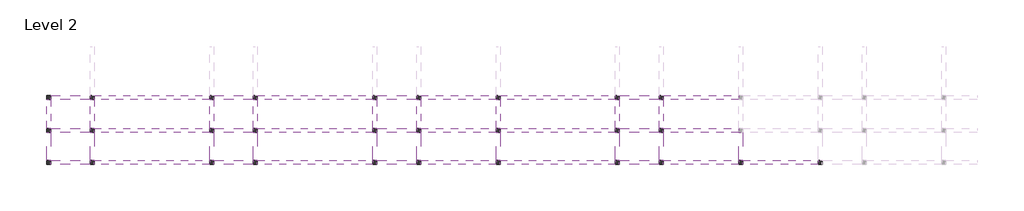
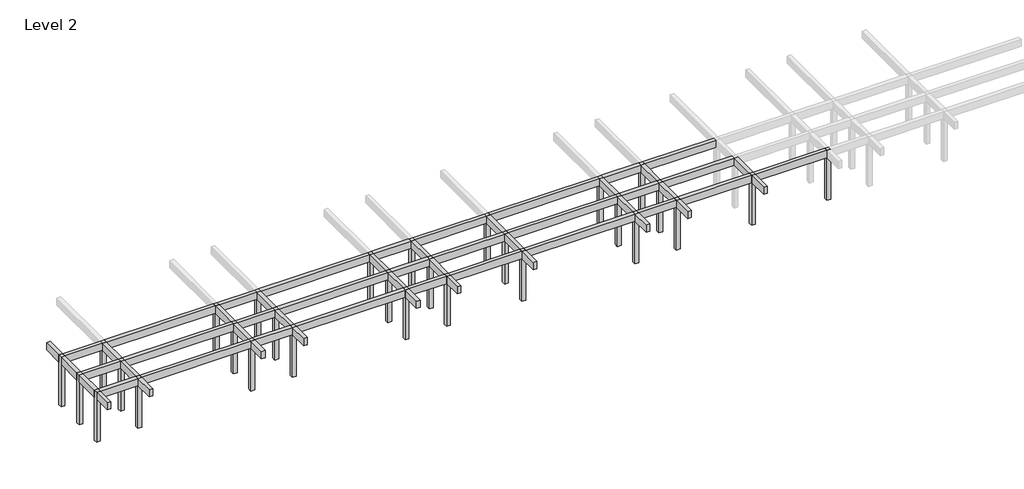
# One storey, part 1 of 3: 47 beams, 29 columns.
"""IFC4 building model written with IfcOpenShell, lengths in millimetres."""

from ifc_helpers import new_model, si_unit, frame, origin, place, context, project, spatial, polyline, outline, extrude, element, save

model = new_model("IFC4")

# Units and contexts
model_context = context("Model", 3, world=origin())
ifc_project = project(units=[si_unit("LENGTHUNIT", "METRE", prefix="MILLI")], contexts=[model_context])

# Site, building, storey
site = spatial("IfcSite", under=ifc_project)
building = spatial("IfcBuilding", under=site)
storey = spatial("IfcBuildingStorey", under=building, Name="Level 2", Elevation=4200.0)

# Beams
placement = place(None, origin())
element("IfcBeam", 1, ObjectType="M_Concrete-Rectangular Beam : 300 x 600mm", at=placement, inside=storey, context=model_context, shape_type="SweptSolid", body=[
    extrude(outline(polyline([(-20004.046467, -6775.7492337), (-20304.046467, -6775.7492337), (-20304.046467, -5325.7492337), (-20004.046467, -5325.7492337), (-20004.046467, -6775.7492337)])), frame((0.0, 0.0, 7800.0), z_axis=(0.0, 0.0, 1.0), x_axis=(1.0, 0.0, 0.0)), (0.0, 0.0, 1.0), 600.0),
    extrude(outline(polyline([(-20304.046467, -2925.7492337), (-20004.046467, -2925.7492337), (-20004.046467, -5025.7492337), (-20304.046467, -5025.7492337), (-20304.046467, -2925.7492337)])), frame((0.0, 0.0, 7800.0), z_axis=(0.0, 0.0, 1.0), x_axis=(1.0, 0.0, 0.0)), (0.0, 0.0, 1.0), 600.0),
])
element("IfcBeam", 2, ObjectType="M_Concrete-Rectangular Beam : 300 x 600mm", at=placement, inside=storey, context=model_context, shape_type="SweptSolid", body=[
    extrude(outline(polyline([(-20304.046467, 1574.2507663), (-20004.046467, 1574.2507663), (-20004.046467, -125.7492337), (-20304.046467, -125.7492337), (-20304.046467, 1574.2507663)])), frame((0.0, 0.0, 7800.0), z_axis=(0.0, 0.0, 1.0), x_axis=(1.0, 0.0, 0.0)), (0.0, 0.0, 1.0), 600.0),
    extrude(outline(polyline([(-20304.046467, -425.7492337), (-20004.046467, -425.7492337), (-20004.046467, -2625.7492337), (-20304.046467, -2625.7492337), (-20304.046467, -425.7492337)])), frame((0.0, 0.0, 7800.0), z_axis=(0.0, 0.0, 1.0), x_axis=(1.0, 0.0, 0.0)), (0.0, 0.0, 1.0), 600.0),
])
element("IfcBeam", 3, ObjectType="M_Concrete-Rectangular Beam : 300 x 600mm", at=placement, inside=storey, context=model_context, shape_type="SweptSolid", body=[
    extrude(outline(polyline([(-16704.046467, -6875.7492337), (-17004.046467, -6875.7492337), (-17004.046467, -5325.7492337), (-16704.046467, -5325.7492337), (-16704.046467, -6875.7492337)])), frame((0.0, 0.0, 7800.0), z_axis=(0.0, 0.0, 1.0), x_axis=(1.0, 0.0, 0.0)), (0.0, 0.0, 1.0), 600.0),
    extrude(outline(polyline([(-17004.046467, -2925.7492337), (-16704.046467, -2925.7492337), (-16704.046467, -5025.7492337), (-17004.046467, -5025.7492337), (-17004.046467, -2925.7492337)])), frame((0.0, 0.0, 7800.0), z_axis=(0.0, 0.0, 1.0), x_axis=(1.0, 0.0, 0.0)), (0.0, 0.0, 1.0), 600.0),
])
element("IfcBeam", 4, ObjectType="M_Concrete-Rectangular Beam : 300 x 600mm", at=placement, inside=storey, context=model_context, shape_type="SweptSolid", body=[
    extrude(outline(polyline([(-17004.046467, -425.7492337), (-16704.046467, -425.7492337), (-16704.046467, -2625.7492337), (-17004.046467, -2625.7492337), (-17004.046467, -425.7492337)])), frame((0.0, 0.0, 7800.0), z_axis=(0.0, 0.0, 1.0), x_axis=(1.0, 0.0, 0.0)), (0.0, 0.0, 1.0), 600.0),
])
element("IfcBeam", 5, ObjectType="M_Concrete-Rectangular Beam : 300 x 600mm", at=placement, inside=storey, context=model_context, shape_type="SweptSolid", body=[
    extrude(outline(polyline([(-7704.046467, -6775.7492337), (-8004.046467, -6775.7492337), (-8004.046467, -5325.7492337), (-7704.046467, -5325.7492337), (-7704.046467, -6775.7492337)])), frame((0.0, 0.0, 7800.0), z_axis=(0.0, 0.0, 1.0), x_axis=(1.0, 0.0, 0.0)), (0.0, 0.0, 1.0), 600.0),
    extrude(outline(polyline([(-8004.046467, -2925.7492337), (-7704.046467, -2925.7492337), (-7704.046467, -5025.7492337), (-8004.046467, -5025.7492337), (-8004.046467, -2925.7492337)])), frame((0.0, 0.0, 7800.0), z_axis=(0.0, 0.0, 1.0), x_axis=(1.0, 0.0, 0.0)), (0.0, 0.0, 1.0), 600.0),
])
element("IfcBeam", 6, ObjectType="M_Concrete-Rectangular Beam : 300 x 600mm", at=placement, inside=storey, context=model_context, shape_type="SweptSolid", body=[
    extrude(outline(polyline([(-8004.046467, -425.7492337), (-7704.046467, -425.7492337), (-7704.046467, -2625.7492337), (-8004.046467, -2625.7492337), (-8004.046467, -425.7492337)])), frame((0.0, 0.0, 7800.0), z_axis=(0.0, 0.0, 1.0), x_axis=(1.0, 0.0, 0.0)), (0.0, 0.0, 1.0), 600.0),
])
element("IfcBeam", 7, ObjectType="M_Concrete-Rectangular Beam : 300 x 600mm", at=placement, inside=storey, context=model_context, shape_type="SweptSolid", body=[
    extrude(outline(polyline([(-4404.046467, -6875.7492337), (-4704.046467, -6875.7492337), (-4704.046467, -5325.7492337), (-4404.046467, -5325.7492337), (-4404.046467, -6875.7492337)])), frame((0.0, 0.0, 7800.0), z_axis=(0.0, 0.0, 1.0), x_axis=(1.0, 0.0, 0.0)), (0.0, 0.0, 1.0), 600.0),
    extrude(outline(polyline([(-4704.046467, -2925.7492337), (-4404.046467, -2925.7492337), (-4404.046467, -5025.7492337), (-4704.046467, -5025.7492337), (-4704.046467, -2925.7492337)])), frame((0.0, 0.0, 7800.0), z_axis=(0.0, 0.0, 1.0), x_axis=(1.0, 0.0, 0.0)), (0.0, 0.0, 1.0), 600.0),
])
element("IfcBeam", 8, ObjectType="M_Concrete-Rectangular Beam : 300 x 600mm", at=placement, inside=storey, context=model_context, shape_type="SweptSolid", body=[
    extrude(outline(polyline([(-4704.046467, -425.7492337), (-4404.046467, -425.7492337), (-4404.046467, -2625.7492337), (-4704.046467, -2625.7492337), (-4704.046467, -425.7492337)])), frame((0.0, 0.0, 7800.0), z_axis=(0.0, 0.0, 1.0), x_axis=(1.0, 0.0, 0.0)), (0.0, 0.0, 1.0), 600.0),
])
element("IfcBeam", 9, ObjectType="M_Concrete-Rectangular Beam : 300 x 600mm", at=placement, inside=storey, context=model_context, shape_type="SweptSolid", body=[
    extrude(outline(polyline([(4595.953533, -6875.7492337), (4295.953533, -6875.7492337), (4295.953533, -5325.7492337), (4595.953533, -5325.7492337), (4595.953533, -6875.7492337)])), frame((0.0, 0.0, 7800.0), z_axis=(0.0, 0.0, 1.0), x_axis=(1.0, 0.0, 0.0)), (0.0, 0.0, 1.0), 600.0),
    extrude(outline(polyline([(4295.953533, -2925.7492337), (4595.953533, -2925.7492337), (4595.953533, -5025.7492337), (4295.953533, -5025.7492337), (4295.953533, -2925.7492337)])), frame((0.0, 0.0, 7800.0), z_axis=(0.0, 0.0, 1.0), x_axis=(1.0, 0.0, 0.0)), (0.0, 0.0, 1.0), 600.0),
])
element("IfcBeam", 10, ObjectType="M_Concrete-Rectangular Beam : 300 x 600mm", at=placement, inside=storey, context=model_context, shape_type="SweptSolid", body=[
    extrude(outline(polyline([(4295.953533, -425.7492337), (4595.953533, -425.7492337), (4595.953533, -2625.7492337), (4295.953533, -2625.7492337), (4295.953533, -425.7492337)])), frame((0.0, 0.0, 7800.0), z_axis=(0.0, 0.0, 1.0), x_axis=(1.0, 0.0, 0.0)), (0.0, 0.0, 1.0), 600.0),
])
element("IfcBeam", 11, ObjectType="M_Concrete-Rectangular Beam : 300 x 600mm", at=placement, inside=storey, context=model_context, shape_type="SweptSolid", body=[
    extrude(outline(polyline([(7895.953533, -6775.7492337), (7595.953533, -6775.7492337), (7595.953533, -5325.7492337), (7895.953533, -5325.7492337), (7895.953533, -6775.7492337)])), frame((0.0, 0.0, 7800.0), z_axis=(0.0, 0.0, 1.0), x_axis=(1.0, 0.0, 0.0)), (0.0, 0.0, 1.0), 600.0),
    extrude(outline(polyline([(7595.953533, -2925.7492337), (7895.953533, -2925.7492337), (7895.953533, -5025.7492337), (7595.953533, -5025.7492337), (7595.953533, -2925.7492337)])), frame((0.0, 0.0, 7800.0), z_axis=(0.0, 0.0, 1.0), x_axis=(1.0, 0.0, 0.0)), (0.0, 0.0, 1.0), 600.0),
])
element("IfcBeam", 12, ObjectType="M_Concrete-Rectangular Beam : 300 x 600mm", at=placement, inside=storey, context=model_context, shape_type="SweptSolid", body=[
    extrude(outline(polyline([(7595.953533, -425.7492337), (7895.953533, -425.7492337), (7895.953533, -2625.7492337), (7595.953533, -2625.7492337), (7595.953533, -425.7492337)])), frame((0.0, 0.0, 7800.0), z_axis=(0.0, 0.0, 1.0), x_axis=(1.0, 0.0, 0.0)), (0.0, 0.0, 1.0), 600.0),
])
element("IfcBeam", 13, ObjectType="M_Concrete-Rectangular Beam : 300 x 600mm", at=placement, inside=storey, context=model_context, shape_type="SweptSolid", body=[
    extrude(outline(polyline([(13895.953533, -6875.7492337), (13595.953533, -6875.7492337), (13595.953533, -5325.7492337), (13895.953533, -5325.7492337), (13895.953533, -6875.7492337)])), frame((0.0, 0.0, 7800.0), z_axis=(0.0, 0.0, 1.0), x_axis=(1.0, 0.0, 0.0)), (0.0, 0.0, 1.0), 600.0),
    extrude(outline(polyline([(13595.953533, -2925.7492337), (13895.953533, -2925.7492337), (13895.953533, -5025.7492337), (13595.953533, -5025.7492337), (13595.953533, -2925.7492337)])), frame((0.0, 0.0, 7800.0), z_axis=(0.0, 0.0, 1.0), x_axis=(1.0, 0.0, 0.0)), (0.0, 0.0, 1.0), 600.0),
])
element("IfcBeam", 14, ObjectType="M_Concrete-Rectangular Beam : 300 x 600mm", at=placement, inside=storey, context=model_context, shape_type="SweptSolid", body=[
    extrude(outline(polyline([(13595.953533, -425.7492337), (13895.953533, -425.7492337), (13895.953533, -2625.7492337), (13595.953533, -2625.7492337), (13595.953533, -425.7492337)])), frame((0.0, 0.0, 7800.0), z_axis=(0.0, 0.0, 1.0), x_axis=(1.0, 0.0, 0.0)), (0.0, 0.0, 1.0), 600.0),
])
element("IfcBeam", 15, ObjectType="M_Concrete-Rectangular Beam : 300 x 600mm", at=placement, inside=storey, context=model_context, shape_type="SweptSolid", body=[
    extrude(outline(polyline([(26195.953533, -6875.7492337), (25895.953533, -6875.7492337), (25895.953533, -5325.7492337), (26195.953533, -5325.7492337), (26195.953533, -6875.7492337)])), frame((0.0, 0.0, 7800.0), z_axis=(0.0, 0.0, 1.0), x_axis=(1.0, 0.0, 0.0)), (0.0, 0.0, 1.0), 600.0),
    extrude(outline(polyline([(25895.953533, -2925.7492337), (26195.953533, -2925.7492337), (26195.953533, -5025.7492337), (25895.953533, -5025.7492337), (25895.953533, -2925.7492337)])), frame((0.0, 0.0, 7800.0), z_axis=(0.0, 0.0, 1.0), x_axis=(1.0, 0.0, 0.0)), (0.0, 0.0, 1.0), 600.0),
])
element("IfcBeam", 16, ObjectType="M_Concrete-Rectangular Beam : 300 x 600mm", at=placement, inside=storey, context=model_context, shape_type="SweptSolid", body=[
    extrude(outline(polyline([(25895.953533, -425.7492337), (26195.953533, -425.7492337), (26195.953533, -2625.7492337), (25895.953533, -2625.7492337), (25895.953533, -425.7492337)])), frame((0.0, 0.0, 7800.0), z_axis=(0.0, 0.0, 1.0), x_axis=(1.0, 0.0, 0.0)), (0.0, 0.0, 1.0), 600.0),
])
element("IfcBeam", 17, ObjectType="M_Concrete-Rectangular Beam : 300 x 600mm", at=placement, inside=storey, context=model_context, shape_type="SweptSolid", body=[
    extrude(outline(polyline([(22895.953533, -6875.7492337), (22595.953533, -6875.7492337), (22595.953533, -5325.7492337), (22895.953533, -5325.7492337), (22895.953533, -6875.7492337)])), frame((0.0, 0.0, 7800.0), z_axis=(0.0, 0.0, 1.0), x_axis=(1.0, 0.0, 0.0)), (0.0, 0.0, 1.0), 600.0),
    extrude(outline(polyline([(22595.953533, -2925.7492337), (22895.953533, -2925.7492337), (22895.953533, -5025.7492337), (22595.953533, -5025.7492337), (22595.953533, -2925.7492337)])), frame((0.0, 0.0, 7800.0), z_axis=(0.0, 0.0, 1.0), x_axis=(1.0, 0.0, 0.0)), (0.0, 0.0, 1.0), 600.0),
])
element("IfcBeam", 18, ObjectType="M_Concrete-Rectangular Beam : 300 x 600mm", at=placement, inside=storey, context=model_context, shape_type="SweptSolid", body=[
    extrude(outline(polyline([(22595.953533, -425.7492337), (22895.953533, -425.7492337), (22895.953533, -2625.7492337), (22595.953533, -2625.7492337), (22595.953533, -425.7492337)])), frame((0.0, 0.0, 7800.0), z_axis=(0.0, 0.0, 1.0), x_axis=(1.0, 0.0, 0.0)), (0.0, 0.0, 1.0), 600.0),
])
element("IfcBeam", 19, ObjectType="M_Concrete-Rectangular Beam : 300 x 600mm", at=placement, inside=storey, context=model_context, shape_type="SweptSolid", body=[
    extrude(outline(polyline([(32195.953533, -6975.7492337), (31895.953533, -6975.7492337), (31895.953533, -5325.7492337), (32195.953533, -5325.7492337), (32195.953533, -6975.7492337)])), frame((0.0, 0.0, 7800.0), z_axis=(0.0, 0.0, 1.0), x_axis=(1.0, 0.0, 0.0)), (0.0, 0.0, 1.0), 600.0),
    extrude(outline(polyline([(31895.953533, -2925.7492337), (32195.953533, -2925.7492337), (32195.953533, -5025.7492337), (31895.953533, -5025.7492337), (31895.953533, -2925.7492337)])), frame((0.0, 0.0, 7800.0), z_axis=(0.0, 0.0, 1.0), x_axis=(1.0, 0.0, 0.0)), (0.0, 0.0, 1.0), 600.0),
])
element("IfcBeam", 20, ObjectType="M_Concrete-Rectangular Beam : 300 x 600mm", at=placement, inside=storey, context=model_context, shape_type="SweptSolid", body=[
    extrude(outline(polyline([(-20004.046467, -425.7492337), (-20004.046467, -125.7492337), (-17004.046467, -125.7492337), (-17004.046467, -425.7492337), (-20004.046467, -425.7492337)])), frame((0.0, 0.0, 7800.0), z_axis=(0.0, 0.0, 1.0), x_axis=(1.0, 0.0, 0.0)), (0.0, 0.0, 1.0), 600.0),
])
element("IfcBeam", 21, ObjectType="M_Concrete-Rectangular Beam : 300 x 600mm", at=placement, inside=storey, context=model_context, shape_type="SweptSolid", body=[
    extrude(outline(polyline([(-16704.046467, -425.7492337), (-16704.046467, -125.7492337), (-8004.046467, -125.7492337), (-8004.046467, -425.7492337), (-16704.046467, -425.7492337)])), frame((0.0, 0.0, 7800.0), z_axis=(0.0, 0.0, 1.0), x_axis=(1.0, 0.0, 0.0)), (0.0, 0.0, 1.0), 600.0),
])
element("IfcBeam", 22, ObjectType="M_Concrete-Rectangular Beam : 300 x 600mm", at=placement, inside=storey, context=model_context, shape_type="SweptSolid", body=[
    extrude(outline(polyline([(-7704.046467, -425.7492337), (-7704.046467, -125.7492337), (-4704.046467, -125.7492337), (-4704.046467, -425.7492337), (-7704.046467, -425.7492337)])), frame((0.0, 0.0, 7800.0), z_axis=(0.0, 0.0, 1.0), x_axis=(1.0, 0.0, 0.0)), (0.0, 0.0, 1.0), 600.0),
])
element("IfcBeam", 23, ObjectType="M_Concrete-Rectangular Beam : 300 x 600mm", at=placement, inside=storey, context=model_context, shape_type="SweptSolid", body=[
    extrude(outline(polyline([(-4404.046467, -425.7492337), (-4404.046467, -125.7492337), (4295.953533, -125.7492337), (4295.953533, -425.7492337), (-4404.046467, -425.7492337)])), frame((0.0, 0.0, 7800.0), z_axis=(0.0, 0.0, 1.0), x_axis=(1.0, 0.0, 0.0)), (0.0, 0.0, 1.0), 600.0),
])
element("IfcBeam", 24, ObjectType="M_Concrete-Rectangular Beam : 300 x 600mm", at=placement, inside=storey, context=model_context, shape_type="SweptSolid", body=[
    extrude(outline(polyline([(4595.953533, -425.7492337), (4595.953533, -125.7492337), (7595.953533, -125.7492337), (7595.953533, -425.7492337), (4595.953533, -425.7492337)])), frame((0.0, 0.0, 7800.0), z_axis=(0.0, 0.0, 1.0), x_axis=(1.0, 0.0, 0.0)), (0.0, 0.0, 1.0), 600.0),
])
element("IfcBeam", 25, ObjectType="M_Concrete-Rectangular Beam : 300 x 600mm", at=placement, inside=storey, context=model_context, shape_type="SweptSolid", body=[
    extrude(outline(polyline([(7895.953533, -425.7492337), (7895.953533, -125.7492337), (13595.953533, -125.7492337), (13595.953533, -425.7492337), (7895.953533, -425.7492337)])), frame((0.0, 0.0, 7800.0), z_axis=(0.0, 0.0, 1.0), x_axis=(1.0, 0.0, 0.0)), (0.0, 0.0, 1.0), 600.0),
])
element("IfcBeam", 26, ObjectType="M_Concrete-Rectangular Beam : 300 x 600mm", at=placement, inside=storey, context=model_context, shape_type="SweptSolid", body=[
    extrude(outline(polyline([(13895.953533, -425.7492337), (13895.953533, -125.7492337), (22595.953533, -125.7492337), (22595.953533, -425.7492337), (13895.953533, -425.7492337)])), frame((0.0, 0.0, 7800.0), z_axis=(0.0, 0.0, 1.0), x_axis=(1.0, 0.0, 0.0)), (0.0, 0.0, 1.0), 600.0),
])
element("IfcBeam", 27, ObjectType="M_Concrete-Rectangular Beam : 300 x 600mm", at=placement, inside=storey, context=model_context, shape_type="SweptSolid", body=[
    extrude(outline(polyline([(25895.953533, -125.7492337), (25895.953533, -425.7492337), (22895.953533, -425.7492337), (22895.953533, -125.7492337), (25895.953533, -125.7492337)])), frame((0.0, 0.0, 7800.0), z_axis=(0.0, 0.0, 1.0), x_axis=(1.0, 0.0, 0.0)), (0.0, 0.0, 1.0), 600.0),
])
element("IfcBeam", 28, ObjectType="M_Concrete-Rectangular Beam : 300 x 600mm", at=placement, inside=storey, context=model_context, shape_type="SweptSolid", body=[
    extrude(outline(polyline([(26195.953533, -425.7492337), (26195.953533, -125.7492337), (31895.953533, -125.7492337), (31895.953533, -425.7492337), (26195.953533, -425.7492337)])), frame((0.0, 0.0, 7800.0), z_axis=(0.0, 0.0, 1.0), x_axis=(1.0, 0.0, 0.0)), (0.0, 0.0, 1.0), 600.0),
])
element("IfcBeam", 29, ObjectType="M_Concrete-Rectangular Beam : 300 x 600mm", at=placement, inside=storey, context=model_context, shape_type="SweptSolid", body=[
    extrude(outline(polyline([(-20004.046467, -2925.7492337), (-20004.046467, -2625.7492337), (-17004.046467, -2625.7492337), (-17004.046467, -2925.7492337), (-20004.046467, -2925.7492337)])), frame((0.0, 0.0, 7800.0), z_axis=(0.0, 0.0, 1.0), x_axis=(1.0, 0.0, 0.0)), (0.0, 0.0, 1.0), 600.0),
])
element("IfcBeam", 30, ObjectType="M_Concrete-Rectangular Beam : 300 x 600mm", at=placement, inside=storey, context=model_context, shape_type="SweptSolid", body=[
    extrude(outline(polyline([(-16704.046467, -2925.7492337), (-16704.046467, -2625.7492337), (-8004.046467, -2625.7492337), (-8004.046467, -2925.7492337), (-16704.046467, -2925.7492337)])), frame((0.0, 0.0, 7800.0), z_axis=(0.0, 0.0, 1.0), x_axis=(1.0, 0.0, 0.0)), (0.0, 0.0, 1.0), 600.0),
])
element("IfcBeam", 31, ObjectType="M_Concrete-Rectangular Beam : 300 x 600mm", at=placement, inside=storey, context=model_context, shape_type="SweptSolid", body=[
    extrude(outline(polyline([(-7704.046467, -2925.7492337), (-7704.046467, -2625.7492337), (-4704.046467, -2625.7492337), (-4704.046467, -2925.7492337), (-7704.046467, -2925.7492337)])), frame((0.0, 0.0, 7800.0), z_axis=(0.0, 0.0, 1.0), x_axis=(1.0, 0.0, 0.0)), (0.0, 0.0, 1.0), 600.0),
])
element("IfcBeam", 32, ObjectType="M_Concrete-Rectangular Beam : 300 x 600mm", at=placement, inside=storey, context=model_context, shape_type="SweptSolid", body=[
    extrude(outline(polyline([(-4404.046467, -2925.7492337), (-4404.046467, -2625.7492337), (4295.953533, -2625.7492337), (4295.953533, -2925.7492337), (-4404.046467, -2925.7492337)])), frame((0.0, 0.0, 7800.0), z_axis=(0.0, 0.0, 1.0), x_axis=(1.0, 0.0, 0.0)), (0.0, 0.0, 1.0), 600.0),
])
element("IfcBeam", 33, ObjectType="M_Concrete-Rectangular Beam : 300 x 600mm", at=placement, inside=storey, context=model_context, shape_type="SweptSolid", body=[
    extrude(outline(polyline([(4595.953533, -2925.7492337), (4595.953533, -2625.7492337), (7595.953533, -2625.7492337), (7595.953533, -2925.7492337), (4595.953533, -2925.7492337)])), frame((0.0, 0.0, 7800.0), z_axis=(0.0, 0.0, 1.0), x_axis=(1.0, 0.0, 0.0)), (0.0, 0.0, 1.0), 600.0),
])
element("IfcBeam", 34, ObjectType="M_Concrete-Rectangular Beam : 300 x 600mm", at=placement, inside=storey, context=model_context, shape_type="SweptSolid", body=[
    extrude(outline(polyline([(7895.953533, -2925.7492337), (7895.953533, -2625.7492337), (13595.953533, -2625.7492337), (13595.953533, -2925.7492337), (7895.953533, -2925.7492337)])), frame((0.0, 0.0, 7800.0), z_axis=(0.0, 0.0, 1.0), x_axis=(1.0, 0.0, 0.0)), (0.0, 0.0, 1.0), 600.0),
])
element("IfcBeam", 35, ObjectType="M_Concrete-Rectangular Beam : 300 x 600mm", at=placement, inside=storey, context=model_context, shape_type="SweptSolid", body=[
    extrude(outline(polyline([(13895.953533, -2925.7492337), (13895.953533, -2625.7492337), (22595.953533, -2625.7492337), (22595.953533, -2925.7492337), (13895.953533, -2925.7492337)])), frame((0.0, 0.0, 7800.0), z_axis=(0.0, 0.0, 1.0), x_axis=(1.0, 0.0, 0.0)), (0.0, 0.0, 1.0), 600.0),
])
element("IfcBeam", 36, ObjectType="M_Concrete-Rectangular Beam : 300 x 600mm", at=placement, inside=storey, context=model_context, shape_type="SweptSolid", body=[
    extrude(outline(polyline([(25895.953533, -2625.7492337), (25895.953533, -2925.7492337), (22895.953533, -2925.7492337), (22895.953533, -2625.7492337), (25895.953533, -2625.7492337)])), frame((0.0, 0.0, 7800.0), z_axis=(0.0, 0.0, 1.0), x_axis=(1.0, 0.0, 0.0)), (0.0, 0.0, 1.0), 600.0),
])
element("IfcBeam", 37, ObjectType="M_Concrete-Rectangular Beam : 300 x 600mm", at=placement, inside=storey, context=model_context, shape_type="SweptSolid", body=[
    extrude(outline(polyline([(26195.953533, -2925.7492337), (26195.953533, -2625.7492337), (31895.953533, -2625.7492337), (31895.953533, -2925.7492337), (26195.953533, -2925.7492337)])), frame((0.0, 0.0, 7800.0), z_axis=(0.0, 0.0, 1.0), x_axis=(1.0, 0.0, 0.0)), (0.0, 0.0, 1.0), 600.0),
])
element("IfcBeam", 38, ObjectType="M_Concrete-Rectangular Beam : 300 x 600mm", at=placement, inside=storey, context=model_context, shape_type="SweptSolid", body=[
    extrude(outline(polyline([(-20004.046467, -5325.7492337), (-20004.046467, -5025.7492337), (-17004.046467, -5025.7492337), (-17004.046467, -5325.7492337), (-20004.046467, -5325.7492337)])), frame((0.0, 0.0, 7800.0), z_axis=(0.0, 0.0, 1.0), x_axis=(1.0, 0.0, 0.0)), (0.0, 0.0, 1.0), 600.0),
])
element("IfcBeam", 39, ObjectType="M_Concrete-Rectangular Beam : 300 x 600mm", at=placement, inside=storey, context=model_context, shape_type="SweptSolid", body=[
    extrude(outline(polyline([(-16704.046467, -5325.7492337), (-16704.046467, -5025.7492337), (-8004.046467, -5025.7492337), (-8004.046467, -5325.7492337), (-16704.046467, -5325.7492337)])), frame((0.0, 0.0, 7800.0), z_axis=(0.0, 0.0, 1.0), x_axis=(1.0, 0.0, 0.0)), (0.0, 0.0, 1.0), 600.0),
])
element("IfcBeam", 40, ObjectType="M_Concrete-Rectangular Beam : 300 x 600mm", at=placement, inside=storey, context=model_context, shape_type="SweptSolid", body=[
    extrude(outline(polyline([(-7704.046467, -5325.7492337), (-7704.046467, -5025.7492337), (-4704.046467, -5025.7492337), (-4704.046467, -5325.7492337), (-7704.046467, -5325.7492337)])), frame((0.0, 0.0, 7800.0), z_axis=(0.0, 0.0, 1.0), x_axis=(1.0, 0.0, 0.0)), (0.0, 0.0, 1.0), 600.0),
])
element("IfcBeam", 41, ObjectType="M_Concrete-Rectangular Beam : 300 x 600mm", at=placement, inside=storey, context=model_context, shape_type="SweptSolid", body=[
    extrude(outline(polyline([(-4404.046467, -5325.7492337), (-4404.046467, -5025.7492337), (4295.953533, -5025.7492337), (4295.953533, -5325.7492337), (-4404.046467, -5325.7492337)])), frame((0.0, 0.0, 7800.0), z_axis=(0.0, 0.0, 1.0), x_axis=(1.0, 0.0, 0.0)), (0.0, 0.0, 1.0), 600.0),
])
element("IfcBeam", 42, ObjectType="M_Concrete-Rectangular Beam : 300 x 600mm", at=placement, inside=storey, context=model_context, shape_type="SweptSolid", body=[
    extrude(outline(polyline([(4595.953533, -5325.7492337), (4595.953533, -5025.7492337), (7595.953533, -5025.7492337), (7595.953533, -5325.7492337), (4595.953533, -5325.7492337)])), frame((0.0, 0.0, 7800.0), z_axis=(0.0, 0.0, 1.0), x_axis=(1.0, 0.0, 0.0)), (0.0, 0.0, 1.0), 600.0),
])
element("IfcBeam", 43, ObjectType="M_Concrete-Rectangular Beam : 300 x 600mm", at=placement, inside=storey, context=model_context, shape_type="SweptSolid", body=[
    extrude(outline(polyline([(7895.953533, -5325.7492337), (7895.953533, -5025.7492337), (13595.953533, -5025.7492337), (13595.953533, -5325.7492337), (7895.953533, -5325.7492337)])), frame((0.0, 0.0, 7800.0), z_axis=(0.0, 0.0, 1.0), x_axis=(1.0, 0.0, 0.0)), (0.0, 0.0, 1.0), 600.0),
])
element("IfcBeam", 44, ObjectType="M_Concrete-Rectangular Beam : 300 x 600mm", at=placement, inside=storey, context=model_context, shape_type="SweptSolid", body=[
    extrude(outline(polyline([(13895.953533, -5325.7492337), (13895.953533, -5025.7492337), (22595.953533, -5025.7492337), (22595.953533, -5325.7492337), (13895.953533, -5325.7492337)])), frame((0.0, 0.0, 7800.0), z_axis=(0.0, 0.0, 1.0), x_axis=(1.0, 0.0, 0.0)), (0.0, 0.0, 1.0), 600.0),
])
element("IfcBeam", 45, ObjectType="M_Concrete-Rectangular Beam : 300 x 600mm", at=placement, inside=storey, context=model_context, shape_type="SweptSolid", body=[
    extrude(outline(polyline([(25895.953533, -5025.7492337), (25895.953533, -5325.7492337), (22895.953533, -5325.7492337), (22895.953533, -5025.7492337), (25895.953533, -5025.7492337)])), frame((0.0, 0.0, 7800.0), z_axis=(0.0, 0.0, 1.0), x_axis=(1.0, 0.0, 0.0)), (0.0, 0.0, 1.0), 600.0),
])
element("IfcBeam", 46, ObjectType="M_Concrete-Rectangular Beam : 300 x 600mm", at=placement, inside=storey, context=model_context, shape_type="SweptSolid", body=[
    extrude(outline(polyline([(26195.953533, -5325.7492337), (26195.953533, -5025.7492337), (31895.953533, -5025.7492337), (31895.953533, -5325.7492337), (26195.953533, -5325.7492337)])), frame((0.0, 0.0, 7800.0), z_axis=(0.0, 0.0, 1.0), x_axis=(1.0, 0.0, 0.0)), (0.0, 0.0, 1.0), 600.0),
])
element("IfcBeam", 47, ObjectType="M_Concrete-Rectangular Beam : 300 x 600mm", at=placement, inside=storey, context=model_context, shape_type="SweptSolid", body=[
    extrude(outline(polyline([(32195.953533, -5325.7492337), (32195.953533, -5025.7492337), (37895.953533, -5025.7492337), (37895.953533, -5325.7492337), (32195.953533, -5325.7492337)])), frame((0.0, 0.0, 7800.0), z_axis=(0.0, 0.0, 1.0), x_axis=(1.0, 0.0, 0.0)), (0.0, 0.0, 1.0), 600.0),
])

# Columns
element("IfcColumn", 48, ObjectType="M_Concrete-Square-Column : 300 x 300mm", at=placement, inside=storey, context=model_context, shape_type="SweptSolid", body=[
    extrude(outline(polyline([(-20004.046467, -125.7492337), (-20004.046467, -425.7492337), (-20304.046467, -425.7492337), (-20304.046467, -125.7492337), (-20004.046467, -125.7492337)])), frame((0.0, 0.0, 4200.0), z_axis=(0.0, 0.0, 1.0), x_axis=(1.0, 0.0, 0.0)), (0.0, 0.0, 1.0), 4200.0),
])
element("IfcColumn", 49, ObjectType="M_Concrete-Square-Column : 300 x 300mm", at=placement, inside=storey, context=model_context, shape_type="SweptSolid", body=[
    extrude(outline(polyline([(-20004.046467, -2625.7492337), (-20004.046467, -2925.7492337), (-20304.046467, -2925.7492337), (-20304.046467, -2625.7492337), (-20004.046467, -2625.7492337)])), frame((0.0, 0.0, 4200.0), z_axis=(0.0, 0.0, 1.0), x_axis=(1.0, 0.0, 0.0)), (0.0, 0.0, 1.0), 4200.0),
])
element("IfcColumn", 50, ObjectType="M_Concrete-Square-Column : 300 x 300mm", at=placement, inside=storey, context=model_context, shape_type="SweptSolid", body=[
    extrude(outline(polyline([(-20004.046467, -5025.7492337), (-20004.046467, -5325.7492337), (-20304.046467, -5325.7492337), (-20304.046467, -5025.7492337), (-20004.046467, -5025.7492337)])), frame((0.0, 0.0, 4200.0), z_axis=(0.0, 0.0, 1.0), x_axis=(1.0, 0.0, 0.0)), (0.0, 0.0, 1.0), 4200.0),
])
element("IfcColumn", 51, ObjectType="M_Concrete-Square-Column : 300 x 300mm", at=placement, inside=storey, context=model_context, shape_type="SweptSolid", body=[
    extrude(outline(polyline([(-16704.046467, -125.7492337), (-16704.046467, -425.7492337), (-17004.046467, -425.7492337), (-17004.046467, -125.7492337), (-16704.046467, -125.7492337)])), frame((0.0, 0.0, 4200.0), z_axis=(0.0, 0.0, 1.0), x_axis=(1.0, 0.0, 0.0)), (0.0, 0.0, 1.0), 4200.0),
])
element("IfcColumn", 52, ObjectType="M_Concrete-Square-Column : 300 x 300mm", at=placement, inside=storey, context=model_context, shape_type="SweptSolid", body=[
    extrude(outline(polyline([(-16704.046467, -2625.7492337), (-16704.046467, -2925.7492337), (-17004.046467, -2925.7492337), (-17004.046467, -2625.7492337), (-16704.046467, -2625.7492337)])), frame((0.0, 0.0, 4200.0), z_axis=(0.0, 0.0, 1.0), x_axis=(1.0, 0.0, 0.0)), (0.0, 0.0, 1.0), 4200.0),
])
element("IfcColumn", 53, ObjectType="M_Concrete-Square-Column : 300 x 300mm", at=placement, inside=storey, context=model_context, shape_type="SweptSolid", body=[
    extrude(outline(polyline([(-16704.046467, -5025.7492337), (-16704.046467, -5325.7492337), (-17004.046467, -5325.7492337), (-17004.046467, -5025.7492337), (-16704.046467, -5025.7492337)])), frame((0.0, 0.0, 4200.0), z_axis=(0.0, 0.0, 1.0), x_axis=(1.0, 0.0, 0.0)), (0.0, 0.0, 1.0), 4200.0),
])
element("IfcColumn", 54, ObjectType="M_Concrete-Square-Column : 300 x 300mm", at=placement, inside=storey, context=model_context, shape_type="SweptSolid", body=[
    extrude(outline(polyline([(-7704.046467, -125.7492337), (-7704.046467, -425.7492337), (-8004.046467, -425.7492337), (-8004.046467, -125.7492337), (-7704.046467, -125.7492337)])), frame((0.0, 0.0, 4200.0), z_axis=(0.0, 0.0, 1.0), x_axis=(1.0, 0.0, 0.0)), (0.0, 0.0, 1.0), 4200.0),
])
element("IfcColumn", 55, ObjectType="M_Concrete-Square-Column : 300 x 300mm", at=placement, inside=storey, context=model_context, shape_type="SweptSolid", body=[
    extrude(outline(polyline([(-7704.046467, -2625.7492337), (-7704.046467, -2925.7492337), (-8004.046467, -2925.7492337), (-8004.046467, -2625.7492337), (-7704.046467, -2625.7492337)])), frame((0.0, 0.0, 4200.0), z_axis=(0.0, 0.0, 1.0), x_axis=(1.0, 0.0, 0.0)), (0.0, 0.0, 1.0), 4200.0),
])
element("IfcColumn", 56, ObjectType="M_Concrete-Square-Column : 300 x 300mm", at=placement, inside=storey, context=model_context, shape_type="SweptSolid", body=[
    extrude(outline(polyline([(-7704.046467, -5025.7492337), (-7704.046467, -5325.7492337), (-8004.046467, -5325.7492337), (-8004.046467, -5025.7492337), (-7704.046467, -5025.7492337)])), frame((0.0, 0.0, 4200.0), z_axis=(0.0, 0.0, 1.0), x_axis=(1.0, 0.0, 0.0)), (0.0, 0.0, 1.0), 4200.0),
])
element("IfcColumn", 57, ObjectType="M_Concrete-Square-Column : 300 x 300mm", at=placement, inside=storey, context=model_context, shape_type="SweptSolid", body=[
    extrude(outline(polyline([(-4404.046467, -125.7492337), (-4404.046467, -425.7492337), (-4704.046467, -425.7492337), (-4704.046467, -125.7492337), (-4404.046467, -125.7492337)])), frame((0.0, 0.0, 4200.0), z_axis=(0.0, 0.0, 1.0), x_axis=(1.0, 0.0, 0.0)), (0.0, 0.0, 1.0), 4200.0),
])
element("IfcColumn", 58, ObjectType="M_Concrete-Square-Column : 300 x 300mm", at=placement, inside=storey, context=model_context, shape_type="SweptSolid", body=[
    extrude(outline(polyline([(-4404.046467, -2625.7492337), (-4404.046467, -2925.7492337), (-4704.046467, -2925.7492337), (-4704.046467, -2625.7492337), (-4404.046467, -2625.7492337)])), frame((0.0, 0.0, 4200.0), z_axis=(0.0, 0.0, 1.0), x_axis=(1.0, 0.0, 0.0)), (0.0, 0.0, 1.0), 4200.0),
])
element("IfcColumn", 59, ObjectType="M_Concrete-Square-Column : 300 x 300mm", at=placement, inside=storey, context=model_context, shape_type="SweptSolid", body=[
    extrude(outline(polyline([(-4404.046467, -5025.7492337), (-4404.046467, -5325.7492337), (-4704.046467, -5325.7492337), (-4704.046467, -5025.7492337), (-4404.046467, -5025.7492337)])), frame((0.0, 0.0, 4200.0), z_axis=(0.0, 0.0, 1.0), x_axis=(1.0, 0.0, 0.0)), (0.0, 0.0, 1.0), 4200.0),
])
element("IfcColumn", 60, ObjectType="M_Concrete-Square-Column : 300 x 300mm", at=placement, inside=storey, context=model_context, shape_type="SweptSolid", body=[
    extrude(outline(polyline([(4595.953533, -125.7492337), (4595.953533, -425.7492337), (4295.953533, -425.7492337), (4295.953533, -125.7492337), (4595.953533, -125.7492337)])), frame((0.0, 0.0, 4200.0), z_axis=(0.0, 0.0, 1.0), x_axis=(1.0, 0.0, 0.0)), (0.0, 0.0, 1.0), 4200.0),
])
element("IfcColumn", 61, ObjectType="M_Concrete-Square-Column : 300 x 300mm", at=placement, inside=storey, context=model_context, shape_type="SweptSolid", body=[
    extrude(outline(polyline([(4595.953533, -2625.7492337), (4595.953533, -2925.7492337), (4295.953533, -2925.7492337), (4295.953533, -2625.7492337), (4595.953533, -2625.7492337)])), frame((0.0, 0.0, 4200.0), z_axis=(0.0, 0.0, 1.0), x_axis=(1.0, 0.0, 0.0)), (0.0, 0.0, 1.0), 4200.0),
])
element("IfcColumn", 62, ObjectType="M_Concrete-Square-Column : 300 x 300mm", at=placement, inside=storey, context=model_context, shape_type="SweptSolid", body=[
    extrude(outline(polyline([(4595.953533, -5025.7492337), (4595.953533, -5325.7492337), (4295.953533, -5325.7492337), (4295.953533, -5025.7492337), (4595.953533, -5025.7492337)])), frame((0.0, 0.0, 4200.0), z_axis=(0.0, 0.0, 1.0), x_axis=(1.0, 0.0, 0.0)), (0.0, 0.0, 1.0), 4200.0),
])
element("IfcColumn", 63, ObjectType="M_Concrete-Square-Column : 300 x 300mm", at=placement, inside=storey, context=model_context, shape_type="SweptSolid", body=[
    extrude(outline(polyline([(7895.953533, -125.7492337), (7895.953533, -425.7492337), (7595.953533, -425.7492337), (7595.953533, -125.7492337), (7895.953533, -125.7492337)])), frame((0.0, 0.0, 4200.0), z_axis=(0.0, 0.0, 1.0), x_axis=(1.0, 0.0, 0.0)), (0.0, 0.0, 1.0), 4200.0),
])
element("IfcColumn", 64, ObjectType="M_Concrete-Square-Column : 300 x 300mm", at=placement, inside=storey, context=model_context, shape_type="SweptSolid", body=[
    extrude(outline(polyline([(7895.953533, -2625.7492337), (7895.953533, -2925.7492337), (7595.953533, -2925.7492337), (7595.953533, -2625.7492337), (7895.953533, -2625.7492337)])), frame((0.0, 0.0, 4200.0), z_axis=(0.0, 0.0, 1.0), x_axis=(1.0, 0.0, 0.0)), (0.0, 0.0, 1.0), 4200.0),
])
element("IfcColumn", 65, ObjectType="M_Concrete-Square-Column : 300 x 300mm", at=placement, inside=storey, context=model_context, shape_type="SweptSolid", body=[
    extrude(outline(polyline([(7895.953533, -5025.7492337), (7895.953533, -5325.7492337), (7595.953533, -5325.7492337), (7595.953533, -5025.7492337), (7895.953533, -5025.7492337)])), frame((0.0, 0.0, 4200.0), z_axis=(0.0, 0.0, 1.0), x_axis=(1.0, 0.0, 0.0)), (0.0, 0.0, 1.0), 4200.0),
])
element("IfcColumn", 66, ObjectType="M_Concrete-Square-Column : 300 x 300mm", at=placement, inside=storey, context=model_context, shape_type="SweptSolid", body=[
    extrude(outline(polyline([(13895.953533, -125.7492337), (13895.953533, -425.7492337), (13595.953533, -425.7492337), (13595.953533, -125.7492337), (13895.953533, -125.7492337)])), frame((0.0, 0.0, 4200.0), z_axis=(0.0, 0.0, 1.0), x_axis=(1.0, 0.0, 0.0)), (0.0, 0.0, 1.0), 4200.0),
])
element("IfcColumn", 67, ObjectType="M_Concrete-Square-Column : 300 x 300mm", at=placement, inside=storey, context=model_context, shape_type="SweptSolid", body=[
    extrude(outline(polyline([(13895.953533, -2625.7492337), (13895.953533, -2925.7492337), (13595.953533, -2925.7492337), (13595.953533, -2625.7492337), (13895.953533, -2625.7492337)])), frame((0.0, 0.0, 4200.0), z_axis=(0.0, 0.0, 1.0), x_axis=(1.0, 0.0, 0.0)), (0.0, 0.0, 1.0), 4200.0),
])
element("IfcColumn", 68, ObjectType="M_Concrete-Square-Column : 300 x 300mm", at=placement, inside=storey, context=model_context, shape_type="SweptSolid", body=[
    extrude(outline(polyline([(13895.953533, -5025.7492337), (13895.953533, -5325.7492337), (13595.953533, -5325.7492337), (13595.953533, -5025.7492337), (13895.953533, -5025.7492337)])), frame((0.0, 0.0, 4200.0), z_axis=(0.0, 0.0, 1.0), x_axis=(1.0, 0.0, 0.0)), (0.0, 0.0, 1.0), 4200.0),
])
element("IfcColumn", 69, ObjectType="M_Concrete-Square-Column : 300 x 300mm", at=placement, inside=storey, context=model_context, shape_type="SweptSolid", body=[
    extrude(outline(polyline([(26195.953533, -125.7492337), (26195.953533, -425.7492337), (25895.953533, -425.7492337), (25895.953533, -125.7492337), (26195.953533, -125.7492337)])), frame((0.0, 0.0, 4200.0), z_axis=(0.0, 0.0, 1.0), x_axis=(1.0, 0.0, 0.0)), (0.0, 0.0, 1.0), 4200.0),
])
element("IfcColumn", 70, ObjectType="M_Concrete-Square-Column : 300 x 300mm", at=placement, inside=storey, context=model_context, shape_type="SweptSolid", body=[
    extrude(outline(polyline([(26195.953533, -2625.7492337), (26195.953533, -2925.7492337), (25895.953533, -2925.7492337), (25895.953533, -2625.7492337), (26195.953533, -2625.7492337)])), frame((0.0, 0.0, 4200.0), z_axis=(0.0, 0.0, 1.0), x_axis=(1.0, 0.0, 0.0)), (0.0, 0.0, 1.0), 4200.0),
])
element("IfcColumn", 71, ObjectType="M_Concrete-Square-Column : 300 x 300mm", at=placement, inside=storey, context=model_context, shape_type="SweptSolid", body=[
    extrude(outline(polyline([(26195.953533, -5025.7492337), (26195.953533, -5325.7492337), (25895.953533, -5325.7492337), (25895.953533, -5025.7492337), (26195.953533, -5025.7492337)])), frame((0.0, 0.0, 4200.0), z_axis=(0.0, 0.0, 1.0), x_axis=(1.0, 0.0, 0.0)), (0.0, 0.0, 1.0), 4200.0),
])
element("IfcColumn", 72, ObjectType="M_Concrete-Square-Column : 300 x 300mm", at=placement, inside=storey, context=model_context, shape_type="SweptSolid", body=[
    extrude(outline(polyline([(22895.953533, -125.7492337), (22895.953533, -425.7492337), (22595.953533, -425.7492337), (22595.953533, -125.7492337), (22895.953533, -125.7492337)])), frame((0.0, 0.0, 4200.0), z_axis=(0.0, 0.0, 1.0), x_axis=(1.0, 0.0, 0.0)), (0.0, 0.0, 1.0), 4200.0),
])
element("IfcColumn", 73, ObjectType="M_Concrete-Square-Column : 300 x 300mm", at=placement, inside=storey, context=model_context, shape_type="SweptSolid", body=[
    extrude(outline(polyline([(22895.953533, -2625.7492337), (22895.953533, -2925.7492337), (22595.953533, -2925.7492337), (22595.953533, -2625.7492337), (22895.953533, -2625.7492337)])), frame((0.0, 0.0, 4200.0), z_axis=(0.0, 0.0, 1.0), x_axis=(1.0, 0.0, 0.0)), (0.0, 0.0, 1.0), 4200.0),
])
element("IfcColumn", 74, ObjectType="M_Concrete-Square-Column : 300 x 300mm", at=placement, inside=storey, context=model_context, shape_type="SweptSolid", body=[
    extrude(outline(polyline([(22895.953533, -5025.7492337), (22895.953533, -5325.7492337), (22595.953533, -5325.7492337), (22595.953533, -5025.7492337), (22895.953533, -5025.7492337)])), frame((0.0, 0.0, 4200.0), z_axis=(0.0, 0.0, 1.0), x_axis=(1.0, 0.0, 0.0)), (0.0, 0.0, 1.0), 4200.0),
])
element("IfcColumn", 75, ObjectType="M_Concrete-Square-Column : 300 x 300mm", at=placement, inside=storey, context=model_context, shape_type="SweptSolid", body=[
    extrude(outline(polyline([(32195.953533, -5025.7492337), (32195.953533, -5325.7492337), (31895.953533, -5325.7492337), (31895.953533, -5025.7492337), (32195.953533, -5025.7492337)])), frame((0.0, 0.0, 4200.0), z_axis=(0.0, 0.0, 1.0), x_axis=(1.0, 0.0, 0.0)), (0.0, 0.0, 1.0), 4200.0),
])
element("IfcColumn", 76, ObjectType="M_Concrete-Square-Column : 300 x 300mm", at=placement, inside=storey, context=model_context, shape_type="SweptSolid", body=[
    extrude(outline(polyline([(38195.953533, -5025.7492337), (38195.953533, -5325.7492337), (37895.953533, -5325.7492337), (37895.953533, -5025.7492337), (38195.953533, -5025.7492337)])), frame((0.0, 0.0, 4200.0), z_axis=(0.0, 0.0, 1.0), x_axis=(1.0, 0.0, 0.0)), (0.0, 0.0, 1.0), 4200.0),
])

save(model, "model.ifc")
